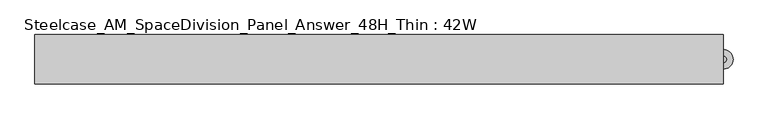
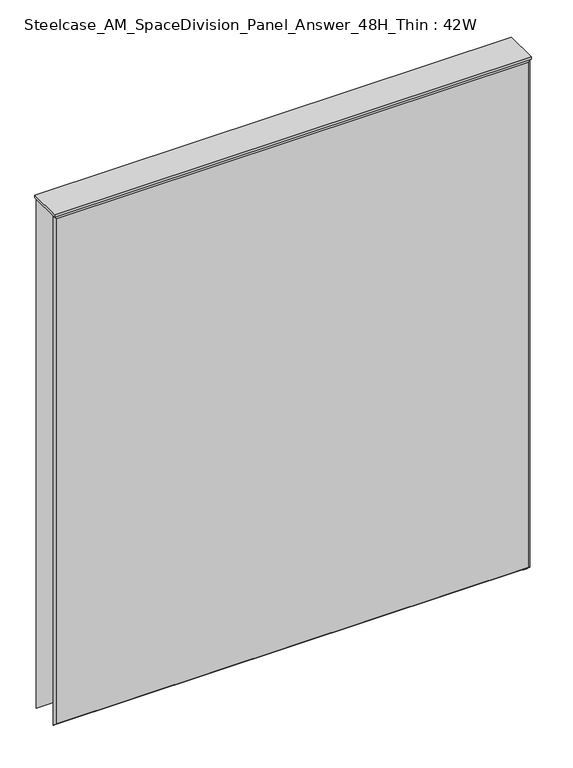
"""IFC4 building model written with IfcOpenShell, lengths in millimetres: furniture geometry, Steelcase_AM_SpaceDivision_Panel_Answer_48H_Thin : 42W."""

from ifc_helpers import new_model, si_unit, point, frame, frame_2d, origin, place, context, project, spatial, polyline, circle_curve, trimmed, segment, composite_curve, outline, extrude, faceted_brep, source, transform, mapped, element, save


def steelcase_am_spacedivision_panel_answer_48h_thin_42w_2037384c(model_context):
    return source(origin(), model_context, "Body", "SolidModel", [
        extrude(outline(composite_curve([segment(trimmed(circle_curve(frame_2d((533.4, -1.94e-05)), 5.08), [point((538.48, -1.94e-05))], [point((528.32, -1.94e-05))], False, "CARTESIAN"), True, "CONTINUOUS"), segment(trimmed(circle_curve(frame_2d((533.4, -1.94e-05)), 5.08), [point((528.32, -1.94e-05))], [point((538.48, -1.94e-05))], False, "CARTESIAN"), True, "CONTINUOUS")], self_intersect=False)), frame((0.0, 0.0, 5.0799671), z_axis=(0.0, 0.0, 1.0), x_axis=(1.0, 0.0, 0.0)), (0.0, 0.0, 1.0), 10.414),
        extrude(outline(composite_curve([segment(trimmed(circle_curve(frame_2d((533.4, -1.94e-05)), 15.24), [point((548.64, -1.94e-05))], [point((518.16, -1.94e-05))], False, "CARTESIAN"), True, "CONTINUOUS"), segment(trimmed(circle_curve(frame_2d((533.4, -1.94e-05)), 15.24), [point((518.16, -1.94e-05))], [point((548.64, -1.94e-05))], False, "CARTESIAN"), True, "CONTINUOUS")], self_intersect=False)), frame((0.0, 0.0, -3.29e-05), z_axis=(0.0, 0.0, 1.0), x_axis=(1.0, 0.0, 0.0)), (0.0, 0.0, 1.0), 5.08),
        faceted_brep([(-528.574, 38.0960551, 1214.374), (528.574, 38.0960551, 1214.374), (528.574, 38.0960551, 20.32), (-528.574, 38.0960551, 20.32), (-533.4, 33.2700551, 1219.2), (-533.4, 33.2700551, 15.494), (533.4, 33.2700551, 15.494), (533.4, 33.2700551, 1219.2)], [[[0, 1, 2, 3]], [[4, 5, 6, 7]], [[4, 7, 1, 0]], [[7, 6, 2, 1]], [[6, 5, 3, 2]], [[5, 4, 0, 3]]]),
        faceted_brep([(528.574, -38.0960551, 1214.374), (-528.574, -38.0960551, 1214.374), (-528.574, -38.0960551, 20.32), (528.574, -38.0960551, 20.32), (533.4, -33.2700551, 1219.2), (533.4, -33.2700551, 15.494), (-533.4, -33.2700551, 15.494), (-533.4, -33.2700551, 1219.2)], [[[0, 1, 2, 3]], [[4, 5, 6, 7]], [[4, 7, 1, 0]], [[7, 6, 2, 1]], [[6, 5, 3, 2]], [[5, 4, 0, 3]]]),
        extrude(outline(polyline([(533.4, 38.1000194), (533.4, -38.1000194), (-533.4, -38.1000194), (-533.4, 38.1000194), (533.4, 38.1000194)])), frame((0.0, 0.0, 1219.2), z_axis=(0.0, 0.0, 1.0), x_axis=(1.0, 0.0, 0.0)), (0.0, 0.0, 1.0), 6.35),
    ])


if __name__ == "__main__":
    model = new_model("IFC4")
    model_context = context("Model", 3, world=origin())
    ifc_project = project(units=[si_unit("LENGTHUNIT", "METRE", prefix="MILLI")], contexts=[model_context])
    site = spatial("IfcSite", under=ifc_project)
    building = spatial("IfcBuilding", under=site)
    placement = place(None, origin())
    steelcase_am_spacedivision_panel_answer_48h_thin_42w_shape = steelcase_am_spacedivision_panel_answer_48h_thin_42w_2037384c(model_context)
    element("IfcFurniture", 1, ObjectType="Steelcase_AM_SpaceDivision_Panel_Answer_48H_Thin : 42W", at=placement, inside=building, context=model_context, shape_type="MappedRepresentation", body=[
        mapped(steelcase_am_spacedivision_panel_answer_48h_thin_42w_shape, transform((0.0, 0.0, 0.0), x_axis=(1.0, 0.0, 0.0), y_axis=(0.0, 1.0, 0.0), z_axis=(0.0, 0.0, 1.0))),
    ])
    save(model, "model.ifc")
